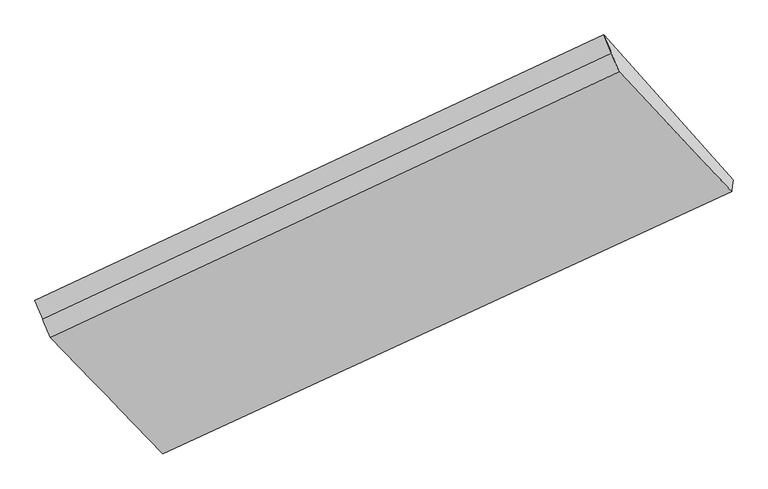
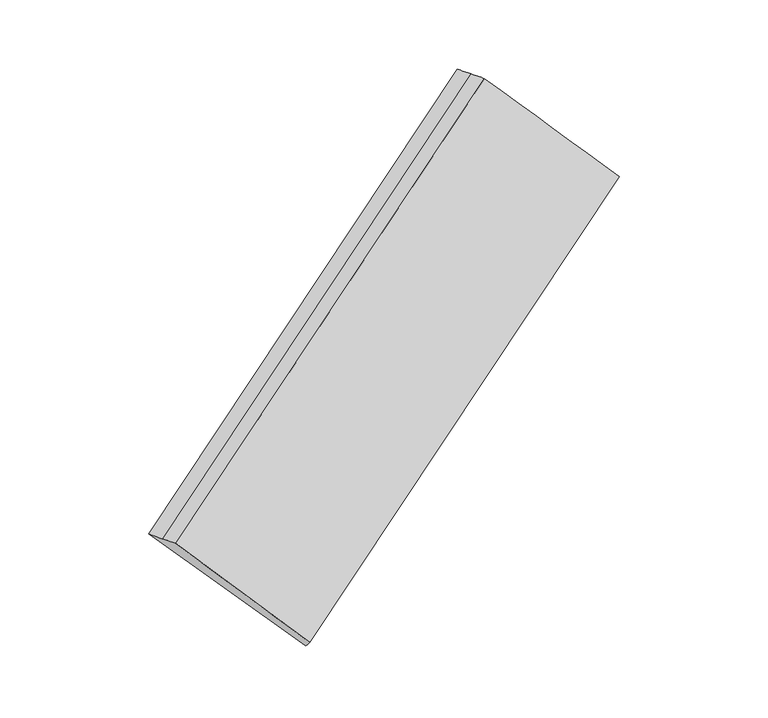
"""IFC4 building model written with IfcOpenShell, lengths in millimetres: proxy geometry."""

from ifc_helpers import new_model, si_unit, frame, origin, place, context, project, spatial, source, transform, mapped, element, save
from ifc_brep_helpers import plane_surface, spline_surface, advanced_brep


def generic_models_471b4d71(model_context):
    return source(origin(), model_context, "Body", "AdvancedBrep", [
        advanced_brep(
        [(-4395.461994, -2854.7888056, 496.2032231), (-4390.4989527, -2816.1982895, 453.3180195), (-492.3991704, -1014.4807858, 2542.6387983), (-497.4922184, -1054.0821795, 2586.6473788), (-5277.3541009, -1842.2058355, 1266.354574), (-1378.1900618, -19.5304853, 3335.4397171), (-5225.0882628, -1967.9136801, 1277.8960817), (-1326.0345788, -146.0964049, 3347.9347937), (-5172.8224247, -2093.6215247, 1289.4375893), (-1273.8790959, -272.6623245, 3360.4298704), (-4400.4250352, -2893.3793216, 539.0884267), (-502.5852664, -1093.6835733, 2630.6559592)],
        [
            (0, 1),
            (1, 2),
            (2, 3),
            (3, 0),
            (1, 4),
            (4, 5),
            (5, 2),
            (4, 6),
            (6, 7),
            (7, 5),
            (6, 8),
            (8, 9),
            (9, 7),
            (8, 10),
            (10, 11),
            (11, 9),
            (10, 0),
            (3, 11),
        ],
        [
            plane_surface(frame((-4392.9804733, -2835.4935475, 474.7606213), z_axis=(0.5709820929382834, -0.6420233393903501, -0.5116497642156022), x_axis=(0.08570991891162735, 0.6664441867553014, -0.7406118792864637))),
            spline_surface(1, 1, [[(-4390.4989527, -2816.1982895, 453.3180195), (-492.3991704, -1014.4807858, 2542.6387983)], [(-5277.3541009, -1842.2058355, 1266.354574), (-1378.1900618, -19.5304853, 3335.4397171)]], [2, 2], [2, 2], [0.0, 1.0], [0.0, 1.0]),
            spline_surface(1, 1, [[(-5277.3541009, -1842.2058355, 1266.354574), (-1378.1900618, -19.5304853, 3335.4397171)], [(-5225.0882628, -1967.9136801, 1277.8960817), (-1326.0345788, -146.0964049, 3347.9347937)]], [2, 2], [2, 2], [0.0, 1.0], [0.0, 1.0]),
            spline_surface(1, 1, [[(-5225.0882628, -1967.9136801, 1277.8960817), (-1326.0345788, -146.0964049, 3347.9347937)], [(-5172.8224247, -2093.6215247, 1289.4375893), (-1273.8790959, -272.6623245, 3360.4298704)]], [2, 2], [2, 2], [0.0, 1.0], [0.0, 1.0]),
            spline_surface(1, 1, [[(-5172.8224247, -2093.6215247, 1289.4375893), (-1273.8790959, -272.6623245, 3360.4298704)], [(-4400.4250352, -2893.3793216, 539.0884267), (-502.5852664, -1093.6835733, 2630.6559592)]], [2, 2], [2, 2], [0.0, 1.0], [0.0, 1.0]),
            plane_surface(frame((-4397.9435146, -2874.0840636, 517.6458249), z_axis=(0.5709820929382836, -0.6420233393903488, -0.5116497642156038), x_axis=(0.08570991891162609, 0.6664441867553027, -0.7406118792864627))),
            plane_surface(frame((-911.7633986, -600.0892922, 2967.2910862), z_axis=(0.816177800219802, 0.37935792404359187, 0.4358226289371646), x_axis=(0.5746427071377549, -0.6116914916699293, -0.5437088174308096))),
            plane_surface(frame((-4810.2751284, -2411.3512428, 887.0496524), z_axis=(-0.8161778002198089, -0.3793579240435842, -0.4358226289371584), x_axis=(-0.08570991891162769, -0.6664441867553008, 0.740611879286464))),
        ],
        [
            (0, [[1, 2, 3, 4]]),
            (1, [[5, 6, 7, -2]]),
            (2, [[8, 9, 10, -6]]),
            (3, [[11, 12, 13, -9]]),
            (4, [[14, 15, 16, -12]]),
            (5, [[17, -4, 18, -15]]),
            (6, [[-16, -18, -3, -7, -10, -13]]),
            (7, [[-17, -14, -11, -8, -5, -1]]),
        ],
    ),
    ])


if __name__ == "__main__":
    model = new_model("IFC4")
    model_context = context("Model", 3, world=origin())
    ifc_project = project(units=[si_unit("LENGTHUNIT", "METRE", prefix="MILLI")], contexts=[model_context])
    site = spatial("IfcSite", under=ifc_project)
    building = spatial("IfcBuilding", under=site)
    placement = place(None, origin())
    generic_models_shape = generic_models_471b4d71(model_context)
    element("IfcBuildingElementProxy", 1, Name="Generic Models", at=placement, inside=building, context=model_context, shape_type="MappedRepresentation", body=[
        mapped(generic_models_shape, transform((0.0, 0.0, 0.0), x_axis=(1.0, 0.0, 0.0), y_axis=(0.0, 1.0, 0.0), z_axis=(0.0, 0.0, 1.0))),
    ])
    save(model, "model.ifc")
